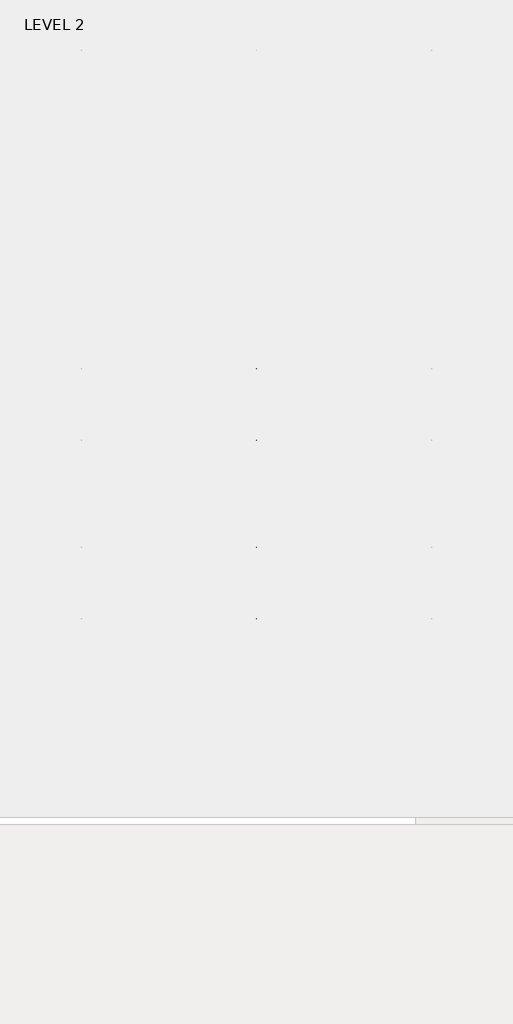
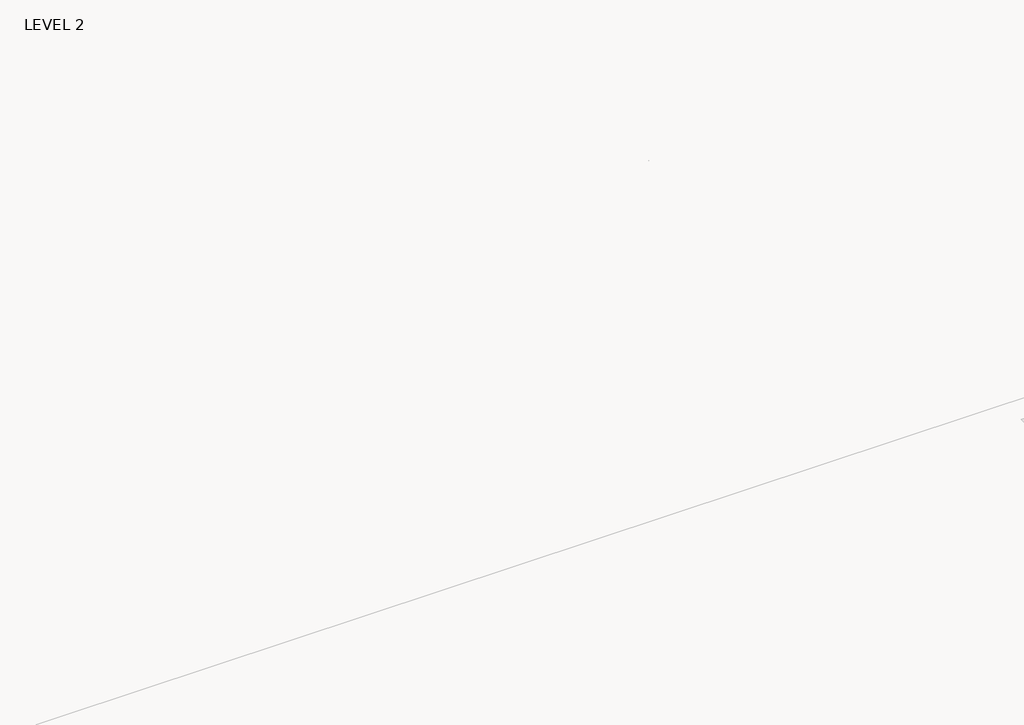
# One storey, part 42 of 67: 1 beam.
"""IFC4 building model written with IfcOpenShell, lengths in millimetres."""

from ifc_helpers import new_model, si_unit, frame, origin, place, context, project, spatial, polyline, outline, extrude, faceted_brep, element, save

model = new_model("IFC4")

# Units and contexts
model_context = context("Model", 3, world=origin())
ifc_project = project(units=[si_unit("LENGTHUNIT", "METRE", prefix="MILLI")], contexts=[model_context])

# Site, building, storey
site = spatial("IfcSite", under=ifc_project)
building = spatial("IfcBuilding", under=site)
storey = spatial("IfcBuildingStorey", under=building, Name="LEVEL 2", Elevation=6908.8)

# Beam
placement = place(None, origin())
element("IfcBeam", 1, ObjectType="K-Series Bar Joist-Angle Web : 12K3", at=placement, inside=storey, context=model_context, shape_type="SolidModel", body=[
    extrude(outline(polyline([(0.0, -9.525), (0.0, 0.0), (573.7533355, 0.0), (573.7533355, -9.525), (0.0, -9.525)])), frame((45684.0116542, -9604.1227945, 6274.1671734), z_axis=(0.0, -0.48308851527800273, 0.8755715198694479), x_axis=(0.0, -0.8755715198694479, -0.48308851527800273)), (0.0, 0.0, 1.0), 9.525),
    extrude(outline(polyline([(0.0, -9.525), (0.0, 0.0), (573.7533355, 0.0), (573.7533355, -9.525), (0.0, -9.525)])), frame((45674.4866542, -14433.5123055, 6174.0312759), z_axis=(0.0, 0.44637950228858414, 0.894843751688861), x_axis=(0.0, 0.894843751688861, -0.44637950228858414)), (0.0, 0.0, 1.0), 9.525),
    extrude(outline(polyline([(4.7625, 4.7625), (4.7625, -4.7625), (-4.7625, -4.7625), (-4.7625, 4.7625), (4.7625, 4.7625)])), frame((45679.2491542, -10108.7855836, 6001.1634358), z_axis=(0.0, 0.5271021201119526, 0.8498019504410923), x_axis=(-1.0, 0.0, 0.0)), (0.0, 0.0, 1.0), 317.9950191),
    extrude(outline(polyline([(4.7625, 4.7625), (4.7625, -4.7625001), (-4.7625, -4.7625001), (-4.7625, 4.7625), (4.7625, 4.7625)])), frame((45679.2491542, -13917.9668359, 5922.1812409), z_axis=(0.0, -0.5618747002661082, 0.8272223529383567), x_axis=(-1.0, 0.0, 0.0)), (0.0, 0.0, 1.0), 317.9950191),
    extrude(outline(polyline([(0.0, 0.0), (31.75, 0.0), (31.75, -6.35), (6.35, -6.35), (6.35, -31.75), (0.0, -31.75), (0.0, 0.0)])), frame((45684.0116542, -14019.4133656, 5913.7264136), z_axis=(0.0, 0.9997851055909517, 0.020730234887470715), x_axis=(1.0, 0.0, 0.0)), (0.0, 0.0, 1.0), 4013.2),
    extrude(outline(polyline([(-9.525, 0.0), (-9.525, -31.75), (-15.875, -31.75), (-15.875, -6.35), (-41.275, -6.35), (-41.275, 0.0), (-9.525, 0.0)])), frame((45684.0116542, -14019.4133656, 5913.7264136), z_axis=(0.0, 0.9997851055909517, 0.020730234887470715), x_axis=(1.0, 0.0, 0.0)), (0.0, 0.0, 1.0), 4013.2),
    extrude(outline(polyline([(-31.75, 0.0), (0.0, 0.0), (0.0, -6.35), (-25.4, -6.35), (-25.4, -31.75), (-31.75, -31.75), (-31.75, 0.0)])), frame((45715.7616542, -14532.3064049, 6144.4436003), z_axis=(0.0, 0.9997851055909517, 0.020730234887470715), x_axis=(1.0, 0.0, 0.0)), (0.0, 0.0, 1.0), 101.6),
    extrude(outline(polyline([(-41.275, 0.0), (-41.275, -31.75), (-47.625, -31.75), (-47.625, -6.35), (-73.025, -6.35), (-73.025, 0.0), (-41.275, 0.0)])), frame((45715.7616542, -14532.3064049, 6144.4436003), z_axis=(0.0, 0.9997851055909517, 0.020730234887470715), x_axis=(1.0, 0.0, 0.0)), (0.0, 0.0, 1.0), 101.6),
    extrude(outline(polyline([(0.0, 0.0), (31.75, 0.0), (31.75, -6.35), (6.35, -6.35), (6.35, -31.75), (0.0, -31.75), (0.0, 0.0)])), frame((45674.4866542, -9605.7653186, 6246.5939057), z_axis=(0.0, 0.9997851055909517, 0.020730234887470715), x_axis=(0.0, -0.020730234887470715, 0.9997851055909517)), (0.0, 0.0, 1.0), 101.6),
    extrude(outline(polyline([(0.0, 41.275), (6.35, 41.275), (6.35, 15.875), (31.75, 15.875), (31.75, 9.525), (0.0, 9.525), (0.0, 41.275)])), frame((45674.4866542, -9605.7653186, 6246.5939057), z_axis=(0.0, 0.9997851055909517, 0.020730234887470715), x_axis=(0.0, -0.020730234887470715, 0.9997851055909517)), (0.0, 0.0, 1.0), 101.6),
    extrude(outline(polyline([(0.0, 0.0), (31.75, 0.0), (31.75, -6.35), (6.35, -6.35), (6.35, -31.75), (0.0, -31.75), (0.0, 0.0)])), frame((45684.0116542, -14533.6227748, 6207.9299545), z_axis=(0.0, 0.9997851055909517, 0.020730234887470715), x_axis=(0.0, 0.020730234887470715, -0.9997851055909517)), (0.0, 0.0, 1.0), 5029.2),
    extrude(outline(polyline([(0.0, 9.525), (0.0, 41.275), (6.35, 41.275), (6.35, 15.875), (31.75, 15.875), (31.75, 9.525), (0.0, 9.525)])), frame((45684.0116542, -14533.6227748, 6207.9299545), z_axis=(0.0, 0.9997851055909517, 0.020730234887470715), x_axis=(0.0, 0.020730234887470715, -0.9997851055909517)), (0.0, 0.0, 1.0), 5029.2),
    faceted_brep([(45679.2491542, -10109.114676, 6017.0350244), (45679.2491542, -10108.7197651, 5997.9891181), (45674.4866542, -10108.7197651, 5997.9891181), (45674.4866542, -10109.114676, 6017.0350244), (45679.2491542, -10109.9510625, 6017.0176822), (45679.2491542, -10276.1904217, 6293.0308149), (45679.2491542, -10294.3999415, 6292.6532461), (45679.2491542, -10294.0050305, 6273.6073399), (45679.2491542, -10286.8200086, 6273.7563191), (45679.2491542, -10120.5806494, 5997.7431863), (45674.4866542, -10120.5806494, 5997.7431863), (45674.4866542, -10141.3605693, 6032.2448279), (45674.4866542, -10137.2808829, 6034.7019736), (45674.4866542, -10273.294904, 6260.5309003), (45674.4866542, -10277.3745905, 6258.0737547), (45674.4866542, -10286.8200086, 6273.7563191), (45674.4866542, -10294.0050305, 6273.6073399), (45674.4866542, -10294.3999415, 6292.6532461), (45674.4866542, -10276.1904217, 6293.0308149), (45674.4866542, -10109.9510625, 6017.0176822), (45661.7866542, -10277.3745905, 6258.0737547), (45661.7866542, -10141.3605693, 6032.2448279), (45661.7866542, -10137.2808829, 6034.7019736), (45661.7866542, -10273.294904, 6260.5309003)], [[[0, 1, 2, 3]], [[1, 0, 4, 5, 6, 7, 8, 9]], [[2, 1, 9, 10]], [[3, 2, 10, 11, 12, 13, 14, 15, 16, 17, 18, 19]], [[0, 3, 19, 4]], [[9, 8, 15, 14, 20, 21, 11, 10]], [[5, 4, 19, 18]], [[7, 6, 17, 16]], [[8, 7, 16, 15]], [[6, 5, 18, 17]], [[21, 22, 12, 11]], [[20, 14, 13, 23]], [[22, 21, 20, 23]], [[12, 22, 23, 13]]]),
    extrude(outline(polyline([(-10455.0089698, 5990.8089186), (-10455.4038808, 6009.8548248), (-10454.5674943, 6009.872167), (-10299.9121904, 6292.5389513), (-10281.7026706, 6292.9165201), (-10281.3077596, 6273.8706138), (-10288.4927815, 6273.7216346), (-10443.1480854, 5991.0548503), (-10455.0089698, 5990.8089186)])), frame((45679.2491542, 0.0, 0.0), z_axis=(1.0, 0.0, 0.0), x_axis=(0.0, 1.0, 0.0)), (0.0, 0.0, 1.0), 4.7625),
    extrude(outline(polyline([(-4.7625, 4.7625), (-4.7625, 0.0), (-17.4625, 0.0), (-17.4625, 4.7625), (-4.7625, 4.7625)])), frame((45679.2491542, -10423.8161725, 6026.3881984), z_axis=(0.0, 0.4799841217599757, 0.8772771756168657), x_axis=(-1.0, 0.0, 0.0)), (0.0, 0.0, 1.0), 263.6257159),
    faceted_brep([(45679.2491542, -13572.0067236, 5945.233029), (45679.2491542, -13571.6118126, 5926.1871227), (45674.4866542, -13571.6118126, 5926.1871227), (45674.4866542, -13572.0067236, 5945.233029), (45679.2491542, -13572.8431101, 5945.2156868), (45679.2491542, -13739.0824692, 6221.2288195), (45679.2491542, -13757.291989, 6220.8512507), (45679.2491542, -13756.897078, 6201.8053445), (45679.2491542, -13749.7120561, 6201.9543237), (45679.2491542, -13583.472697, 5925.941191), (45674.4866542, -13583.472697, 5925.941191), (45674.4866542, -13604.2526169, 5960.4428325), (45674.4866542, -13600.1729304, 5962.8999782), (45674.4866542, -13736.1869515, 6188.7289049), (45674.4866542, -13740.266638, 6186.2717593), (45674.4866542, -13749.7120561, 6201.9543237), (45674.4866542, -13756.897078, 6201.8053445), (45674.4866542, -13757.291989, 6220.8512507), (45674.4866542, -13739.0824692, 6221.2288195), (45674.4866542, -13572.8431101, 5945.2156868), (45661.7866542, -13740.266638, 6186.2717593), (45661.7866542, -13604.2526169, 5960.4428325), (45661.7866542, -13600.1729304, 5962.8999782), (45661.7866542, -13736.1869515, 6188.7289049)], [[[0, 1, 2, 3]], [[1, 0, 4, 5, 6, 7, 8, 9]], [[2, 1, 9, 10]], [[3, 2, 10, 11, 12, 13, 14, 15, 16, 17, 18, 19]], [[0, 3, 19, 4]], [[9, 8, 15, 14, 20, 21, 11, 10]], [[5, 4, 19, 18]], [[7, 6, 17, 16]], [[8, 7, 16, 15]], [[6, 5, 18, 17]], [[21, 22, 12, 11]], [[20, 14, 13, 23]], [[22, 21, 20, 23]], [[12, 22, 23, 13]]]),
    extrude(outline(polyline([(-13917.9010174, 5919.0069232), (-13918.2959283, 5938.0528295), (-13917.4595419, 5938.0701717), (-13762.804238, 6220.736956), (-13744.5947182, 6221.1145247), (-13744.1998072, 6202.0686185), (-13751.3848291, 6201.9196392), (-13906.040133, 5919.252855), (-13917.9010174, 5919.0069232)])), frame((45679.2491542, 0.0, 0.0), z_axis=(1.0, 0.0, 0.0), x_axis=(0.0, 1.0, 0.0)), (0.0, 0.0, 1.0), 4.7625),
    extrude(outline(polyline([(-4.7625, 4.7625001), (-4.7625, 0.0), (-17.4625, 0.0), (-17.4625, 4.7625001), (-4.7625, 4.7625001)])), frame((45679.2491542, -13886.70822, 5954.586203), z_axis=(0.0, 0.4799841217599757, 0.8772771756168657), x_axis=(-1.0, 0.0, 0.0)), (0.0, 0.0, 1.0), 263.6257159),
    faceted_brep([(45679.2491542, -10455.4038808, 6009.8548248), (45679.2491542, -10455.0089698, 5990.8089186), (45674.4866542, -10455.0089698, 5990.8089186), (45674.4866542, -10455.4038808, 6009.8548248), (45679.2491542, -10456.2402673, 6009.8374826), (45679.2491542, -10622.4796264, 6285.8506153), (45679.2491542, -10640.6891462, 6285.4730466), (45679.2491542, -10640.2942352, 6266.4271403), (45679.2491542, -10633.1092134, 6266.5761195), (45679.2491542, -10466.8698542, 5990.5629868), (45674.4866542, -10466.8698542, 5990.5629868), (45674.4866542, -10487.6497741, 6025.0646284), (45674.4866542, -10483.5700876, 6027.521774), (45674.4866542, -10619.5841088, 6253.3507008), (45674.4866542, -10623.6637952, 6250.8935552), (45674.4866542, -10633.1092134, 6266.5761195), (45674.4866542, -10640.2942352, 6266.4271403), (45674.4866542, -10640.6891462, 6285.4730466), (45674.4866542, -10622.4796264, 6285.8506153), (45674.4866542, -10456.2402673, 6009.8374826), (45661.7866542, -10623.6637952, 6250.8935552), (45661.7866542, -10487.6497741, 6025.0646284), (45661.7866542, -10483.5700876, 6027.521774), (45661.7866542, -10619.5841088, 6253.3507008)], [[[0, 1, 2, 3]], [[1, 0, 4, 5, 6, 7, 8, 9]], [[2, 1, 9, 10]], [[3, 2, 10, 11, 12, 13, 14, 15, 16, 17, 18, 19]], [[0, 3, 19, 4]], [[9, 8, 15, 14, 20, 21, 11, 10]], [[5, 4, 19, 18]], [[7, 6, 17, 16]], [[8, 7, 16, 15]], [[6, 5, 18, 17]], [[21, 22, 12, 11]], [[20, 14, 13, 23]], [[22, 21, 20, 23]], [[12, 22, 23, 13]]]),
    extrude(outline(polyline([(-10801.2981746, 5983.628719), (-10801.6930855, 6002.6746253), (-10800.8566991, 6002.6919675), (-10646.2013952, 6285.3587518), (-10627.9918754, 6285.7363206), (-10627.5969644, 6266.6904143), (-10634.7819863, 6266.5414351), (-10789.4372902, 5983.8746508), (-10801.2981746, 5983.628719)])), frame((45679.2491542, 0.0, 0.0), z_axis=(1.0, 0.0, 0.0), x_axis=(0.0, 1.0, 0.0)), (0.0, 0.0, 1.0), 4.7625),
    extrude(outline(polyline([(-4.7625, 4.7625001), (-4.7625, 0.0), (-17.4625, 0.0), (-17.4625, 4.7625001), (-4.7625, 4.7625001)])), frame((45679.2491542, -10770.1053772, 6019.2079988), z_axis=(0.0, 0.4799841217599757, 0.8772771756168657), x_axis=(-1.0, 0.0, 0.0)), (0.0, 0.0, 1.0), 263.6257159),
    faceted_brep([(45679.2491542, -10801.6930855, 6002.6746253), (45679.2491542, -10801.2981746, 5983.628719), (45674.4866542, -10801.2981746, 5983.628719), (45674.4866542, -10801.6930855, 6002.6746253), (45679.2491542, -10802.529472, 6002.6572831), (45679.2491542, -10968.7688312, 6278.6704158), (45679.2491542, -10986.978351, 6278.292847), (45679.2491542, -10986.58344, 6259.2469408), (45679.2491542, -10979.3984181, 6259.39592), (45679.2491542, -10813.1590589, 5983.3827873), (45674.4866542, -10813.1590589, 5983.3827873), (45674.4866542, -10833.9389788, 6017.8844289), (45674.4866542, -10829.8592924, 6020.3415745), (45674.4866542, -10965.8733135, 6246.1705013), (45674.4866542, -10969.953, 6243.7133556), (45674.4866542, -10979.3984181, 6259.39592), (45674.4866542, -10986.58344, 6259.2469408), (45674.4866542, -10986.978351, 6278.292847), (45674.4866542, -10968.7688312, 6278.6704158), (45674.4866542, -10802.529472, 6002.6572831), (45661.7866542, -10969.953, 6243.7133556), (45661.7866542, -10833.9389788, 6017.8844289), (45661.7866542, -10829.8592924, 6020.3415745), (45661.7866542, -10965.8733135, 6246.1705013)], [[[0, 1, 2, 3]], [[1, 0, 4, 5, 6, 7, 8, 9]], [[2, 1, 9, 10]], [[3, 2, 10, 11, 12, 13, 14, 15, 16, 17, 18, 19]], [[0, 3, 19, 4]], [[9, 8, 15, 14, 20, 21, 11, 10]], [[5, 4, 19, 18]], [[7, 6, 17, 16]], [[8, 7, 16, 15]], [[6, 5, 18, 17]], [[21, 22, 12, 11]], [[20, 14, 13, 23]], [[22, 21, 20, 23]], [[12, 22, 23, 13]]]),
    extrude(outline(polyline([(-11147.5873793, 5976.4485195), (-11147.9822903, 5995.4944258), (-11147.1459038, 5995.511768), (-10992.4905999, 6278.1785523), (-10974.2810801, 6278.556121), (-10973.8861692, 6259.5102148), (-10981.071191, 6259.3612356), (-11135.726495, 5976.6944513), (-11147.5873793, 5976.4485195)])), frame((45679.2491542, 0.0, 0.0), z_axis=(1.0, 0.0, 0.0), x_axis=(0.0, 1.0, 0.0)), (0.0, 0.0, 1.0), 4.7625),
    extrude(outline(polyline([(-4.7625, 4.7625), (-4.7625, 0.0), (-17.4625, 0.0), (-17.4625, 4.7625), (-4.7625, 4.7625)])), frame((45679.2491542, -11116.394582, 6012.0277993), z_axis=(0.0, 0.4799841217599757, 0.8772771756168657), x_axis=(-1.0, 0.0, 0.0)), (0.0, 0.0, 1.0), 263.6257159),
    faceted_brep([(45679.2491542, -11147.9822903, 5995.4944258), (45679.2491542, -11147.5873793, 5976.4485195), (45674.4866542, -11147.5873793, 5976.4485195), (45674.4866542, -11147.9822903, 5995.4944258), (45679.2491542, -11148.8186768, 5995.4770835), (45679.2491542, -11315.0580359, 6271.4902163), (45679.2491542, -11333.2675557, 6271.1126475), (45679.2491542, -11332.8726447, 6252.0667412), (45679.2491542, -11325.6876229, 6252.2157204), (45679.2491542, -11159.4482637, 5976.2025877), (45674.4866542, -11159.4482637, 5976.2025877), (45674.4866542, -11180.2281836, 6010.7042293), (45674.4866542, -11176.1484971, 6013.1613749), (45674.4866542, -11312.1625183, 6238.9903017), (45674.4866542, -11316.2422047, 6236.5331561), (45674.4866542, -11325.6876229, 6252.2157204), (45674.4866542, -11332.8726447, 6252.0667412), (45674.4866542, -11333.2675557, 6271.1126475), (45674.4866542, -11315.0580359, 6271.4902163), (45674.4866542, -11148.8186768, 5995.4770835), (45661.7866542, -11316.2422047, 6236.5331561), (45661.7866542, -11180.2281836, 6010.7042293), (45661.7866542, -11176.1484971, 6013.1613749), (45661.7866542, -11312.1625183, 6238.9903017)], [[[0, 1, 2, 3]], [[1, 0, 4, 5, 6, 7, 8, 9]], [[2, 1, 9, 10]], [[3, 2, 10, 11, 12, 13, 14, 15, 16, 17, 18, 19]], [[0, 3, 19, 4]], [[9, 8, 15, 14, 20, 21, 11, 10]], [[5, 4, 19, 18]], [[7, 6, 17, 16]], [[8, 7, 16, 15]], [[6, 5, 18, 17]], [[21, 22, 12, 11]], [[20, 14, 13, 23]], [[22, 21, 20, 23]], [[12, 22, 23, 13]]]),
    extrude(outline(polyline([(-11493.8765841, 5969.26832), (-11494.2714951, 5988.3142262), (-11493.4351086, 5988.3315684), (-11338.7798047, 6270.9983527), (-11320.5702849, 6271.3759215), (-11320.1753739, 6252.3300152), (-11327.3603958, 6252.181036), (-11482.0156997, 5969.5142517), (-11493.8765841, 5969.26832)])), frame((45679.2491542, 0.0, 0.0), z_axis=(1.0, 0.0, 0.0), x_axis=(0.0, 1.0, 0.0)), (0.0, 0.0, 1.0), 4.7625),
    extrude(outline(polyline([(-4.7625, 4.7625), (-4.7625, 0.0), (-17.4625, 0.0), (-17.4625, 4.7625), (-4.7625, 4.7625)])), frame((45679.2491542, -11462.6837867, 6004.8475998), z_axis=(0.0, 0.4799841217599757, 0.8772771756168657), x_axis=(-1.0, 0.0, 0.0)), (0.0, 0.0, 1.0), 263.6257159),
    faceted_brep([(45679.2491542, -11494.2714951, 5988.3142262), (45679.2491542, -11493.8765841, 5969.26832), (45674.4866542, -11493.8765841, 5969.26832), (45674.4866542, -11494.2714951, 5988.3142262), (45679.2491542, -11495.1078815, 5988.296884), (45679.2491542, -11661.3472407, 6264.3100167), (45679.2491542, -11679.5567605, 6263.932448), (45679.2491542, -11679.1618495, 6244.8865417), (45679.2491542, -11671.9768276, 6245.0355209), (45679.2491542, -11505.7374685, 5969.0223882), (45674.4866542, -11505.7374685, 5969.0223882), (45674.4866542, -11526.5173883, 6003.5240298), (45674.4866542, -11522.4377019, 6005.9811754), (45674.4866542, -11658.451723, 6231.8101022), (45674.4866542, -11662.5314095, 6229.3529565), (45674.4866542, -11671.9768276, 6245.0355209), (45674.4866542, -11679.1618495, 6244.8865417), (45674.4866542, -11679.5567605, 6263.932448), (45674.4866542, -11661.3472407, 6264.3100167), (45674.4866542, -11495.1078815, 5988.296884), (45661.7866542, -11662.5314095, 6229.3529565), (45661.7866542, -11526.5173883, 6003.5240298), (45661.7866542, -11522.4377019, 6005.9811754), (45661.7866542, -11658.451723, 6231.8101022)], [[[0, 1, 2, 3]], [[1, 0, 4, 5, 6, 7, 8, 9]], [[2, 1, 9, 10]], [[3, 2, 10, 11, 12, 13, 14, 15, 16, 17, 18, 19]], [[0, 3, 19, 4]], [[9, 8, 15, 14, 20, 21, 11, 10]], [[5, 4, 19, 18]], [[7, 6, 17, 16]], [[8, 7, 16, 15]], [[6, 5, 18, 17]], [[21, 22, 12, 11]], [[20, 14, 13, 23]], [[22, 21, 20, 23]], [[12, 22, 23, 13]]]),
    extrude(outline(polyline([(-11840.1657888, 5962.0881204), (-11840.5606998, 5981.1340267), (-11839.7243133, 5981.1513689), (-11685.0690094, 6263.8181532), (-11666.8594896, 6264.1957219), (-11666.4645787, 6245.1498157), (-11673.6496006, 6245.0008365), (-11828.3049045, 5962.3340522), (-11840.1657888, 5962.0881204)])), frame((45679.2491542, 0.0, 0.0), z_axis=(1.0, 0.0, 0.0), x_axis=(0.0, 1.0, 0.0)), (0.0, 0.0, 1.0), 4.7625),
    extrude(outline(polyline([(-4.7625, 4.7625), (-4.7625, 0.0), (-17.4625, 0.0), (-17.4625, 4.7625), (-4.7625, 4.7625)])), frame((45679.2491542, -11808.9729915, 5997.6674002), z_axis=(0.0, 0.4799841217599757, 0.8772771756168657), x_axis=(-1.0, 0.0, 0.0)), (0.0, 0.0, 1.0), 263.6257159),
    faceted_brep([(45679.2491542, -11840.5606998, 5981.1340267), (45679.2491542, -11840.1657888, 5962.0881204), (45674.4866542, -11840.1657888, 5962.0881204), (45674.4866542, -11840.5606998, 5981.1340267), (45679.2491542, -11841.3970863, 5981.1166845), (45679.2491542, -12007.6364454, 6257.1298172), (45679.2491542, -12025.8459652, 6256.7522484), (45679.2491542, -12025.4510543, 6237.7063422), (45679.2491542, -12018.2660324, 6237.8553214), (45679.2491542, -11852.0266732, 5961.8421887), (45674.4866542, -11852.0266732, 5961.8421887), (45674.4866542, -11872.8065931, 5996.3438302), (45674.4866542, -11868.7269066, 5998.8009759), (45674.4866542, -12004.7409278, 6224.6299026), (45674.4866542, -12008.8206142, 6222.172757), (45674.4866542, -12018.2660324, 6237.8553214), (45674.4866542, -12025.4510543, 6237.7063422), (45674.4866542, -12025.8459652, 6256.7522484), (45674.4866542, -12007.6364454, 6257.1298172), (45674.4866542, -11841.3970863, 5981.1166845), (45661.7866542, -12008.8206142, 6222.172757), (45661.7866542, -11872.8065931, 5996.3438302), (45661.7866542, -11868.7269066, 5998.8009759), (45661.7866542, -12004.7409278, 6224.6299026)], [[[0, 1, 2, 3]], [[1, 0, 4, 5, 6, 7, 8, 9]], [[2, 1, 9, 10]], [[3, 2, 10, 11, 12, 13, 14, 15, 16, 17, 18, 19]], [[0, 3, 19, 4]], [[9, 8, 15, 14, 20, 21, 11, 10]], [[5, 4, 19, 18]], [[7, 6, 17, 16]], [[8, 7, 16, 15]], [[6, 5, 18, 17]], [[21, 22, 12, 11]], [[20, 14, 13, 23]], [[22, 21, 20, 23]], [[12, 22, 23, 13]]]),
    extrude(outline(polyline([(-12186.4549936, 5954.9079209), (-12186.8499046, 5973.9538271), (-12186.0135181, 5973.9711694), (-12031.3582142, 6256.6379536), (-12013.1486944, 6257.0155224), (-12012.7537834, 6237.9696161), (-12019.9388053, 6237.8206369), (-12174.5941092, 5955.1538527), (-12186.4549936, 5954.9079209)])), frame((45679.2491542, 0.0, 0.0), z_axis=(1.0, 0.0, 0.0), x_axis=(0.0, 1.0, 0.0)), (0.0, 0.0, 1.0), 4.7625),
    extrude(outline(polyline([(-4.7625, 4.7625001), (-4.7625, 0.0), (-17.4625, 0.0), (-17.4625, 4.7625001), (-4.7625, 4.7625001)])), frame((45679.2491542, -12155.2621962, 5990.4872007), z_axis=(0.0, 0.4799841217599757, 0.8772771756168657), x_axis=(-1.0, 0.0, 0.0)), (0.0, 0.0, 1.0), 263.6257159),
    faceted_brep([(45679.2491542, -12186.8499046, 5973.9538271), (45679.2491542, -12186.4549936, 5954.9079209), (45674.4866542, -12186.4549936, 5954.9079209), (45674.4866542, -12186.8499046, 5973.9538271), (45679.2491542, -12187.686291, 5973.9364849), (45679.2491542, -12353.9256502, 6249.9496176), (45679.2491542, -12372.13517, 6249.5720489), (45679.2491542, -12371.740259, 6230.5261426), (45679.2491542, -12364.5552371, 6230.6751218), (45679.2491542, -12198.315878, 5954.6619891), (45674.4866542, -12198.315878, 5954.6619891), (45674.4866542, -12219.0957979, 5989.1636307), (45674.4866542, -12215.0161114, 5991.6207763), (45674.4866542, -12351.0301325, 6217.4497031), (45674.4866542, -12355.109819, 6214.9925575), (45674.4866542, -12364.5552371, 6230.6751218), (45674.4866542, -12371.740259, 6230.5261426), (45674.4866542, -12372.13517, 6249.5720489), (45674.4866542, -12353.9256502, 6249.9496176), (45674.4866542, -12187.686291, 5973.9364849), (45661.7866542, -12355.109819, 6214.9925575), (45661.7866542, -12219.0957979, 5989.1636307), (45661.7866542, -12215.0161114, 5991.6207763), (45661.7866542, -12351.0301325, 6217.4497031)], [[[0, 1, 2, 3]], [[1, 0, 4, 5, 6, 7, 8, 9]], [[2, 1, 9, 10]], [[3, 2, 10, 11, 12, 13, 14, 15, 16, 17, 18, 19]], [[0, 3, 19, 4]], [[9, 8, 15, 14, 20, 21, 11, 10]], [[5, 4, 19, 18]], [[7, 6, 17, 16]], [[8, 7, 16, 15]], [[6, 5, 18, 17]], [[21, 22, 12, 11]], [[20, 14, 13, 23]], [[22, 21, 20, 23]], [[12, 22, 23, 13]]]),
    extrude(outline(polyline([(-12532.7441983, 5947.7277213), (-12533.1391093, 5966.7736276), (-12532.3027228, 5966.7909698), (-12377.6474189, 6249.4577541), (-12359.4378991, 6249.8353229), (-12359.0429882, 6230.7894166), (-12366.2280101, 6230.6404374), (-12520.883314, 5947.9736531), (-12532.7441983, 5947.7277213)])), frame((45679.2491542, 0.0, 0.0), z_axis=(1.0, 0.0, 0.0), x_axis=(0.0, 1.0, 0.0)), (0.0, 0.0, 1.0), 4.7625),
    extrude(outline(polyline([(-4.7625, 4.7625), (-4.7625, 0.0), (-17.4625, 0.0), (-17.4625, 4.7625), (-4.7625, 4.7625)])), frame((45679.2491542, -12501.551401, 5983.3070011), z_axis=(0.0, 0.4799841217599757, 0.8772771756168657), x_axis=(-1.0, 0.0, 0.0)), (0.0, 0.0, 1.0), 263.6257159),
    faceted_brep([(45679.2491542, -12533.1391093, 5966.7736276), (45679.2491542, -12532.7441983, 5947.7277213), (45674.4866542, -12532.7441983, 5947.7277213), (45674.4866542, -12533.1391093, 5966.7736276), (45679.2491542, -12533.9754958, 5966.7562854), (45679.2491542, -12700.214855, 6242.7694181), (45679.2491542, -12718.4243747, 6242.3918493), (45679.2491542, -12718.0294638, 6223.3459431), (45679.2491542, -12710.8444419, 6223.4949223), (45679.2491542, -12544.6050827, 5947.4817896), (45674.4866542, -12544.6050827, 5947.4817896), (45674.4866542, -12565.3850026, 5981.9834312), (45674.4866542, -12561.3053162, 5984.4405768), (45674.4866542, -12697.3193373, 6210.2695036), (45674.4866542, -12701.3990237, 6207.8123579), (45674.4866542, -12710.8444419, 6223.4949223), (45674.4866542, -12718.0294638, 6223.3459431), (45674.4866542, -12718.4243747, 6242.3918493), (45674.4866542, -12700.214855, 6242.7694181), (45674.4866542, -12533.9754958, 5966.7562854), (45661.7866542, -12701.3990237, 6207.8123579), (45661.7866542, -12565.3850026, 5981.9834312), (45661.7866542, -12561.3053162, 5984.4405768), (45661.7866542, -12697.3193373, 6210.2695036)], [[[0, 1, 2, 3]], [[1, 0, 4, 5, 6, 7, 8, 9]], [[2, 1, 9, 10]], [[3, 2, 10, 11, 12, 13, 14, 15, 16, 17, 18, 19]], [[0, 3, 19, 4]], [[9, 8, 15, 14, 20, 21, 11, 10]], [[5, 4, 19, 18]], [[7, 6, 17, 16]], [[8, 7, 16, 15]], [[6, 5, 18, 17]], [[21, 22, 12, 11]], [[20, 14, 13, 23]], [[22, 21, 20, 23]], [[12, 22, 23, 13]]]),
    extrude(outline(polyline([(-12879.0334031, 5940.5475218), (-12879.4283141, 5959.5934281), (-12878.5919276, 5959.6107703), (-12723.9366237, 6242.2775546), (-12705.7271039, 6242.6551233), (-12705.3321929, 6223.6092171), (-12712.5172148, 6223.4602379), (-12867.1725187, 5940.7934536), (-12879.0334031, 5940.5475218)])), frame((45679.2491542, 0.0, 0.0), z_axis=(1.0, 0.0, 0.0), x_axis=(0.0, 1.0, 0.0)), (0.0, 0.0, 1.0), 4.7625),
    extrude(outline(polyline([(-4.7625, 4.7625001), (-4.7625, 0.0), (-17.4625, 0.0), (-17.4625, 4.7625001), (-4.7625, 4.7625001)])), frame((45679.2491542, -12847.8406057, 5976.1268016), z_axis=(0.0, 0.4799841217599757, 0.8772771756168657), x_axis=(-1.0, 0.0, 0.0)), (0.0, 0.0, 1.0), 263.6257159),
    faceted_brep([(45679.2491542, -12879.4283141, 5959.5934281), (45679.2491542, -12879.0334031, 5940.5475218), (45674.4866542, -12879.0334031, 5940.5475218), (45674.4866542, -12879.4283141, 5959.5934281), (45679.2491542, -12880.2647005, 5959.5760859), (45679.2491542, -13046.5040597, 6235.5892186), (45679.2491542, -13064.7135795, 6235.2116498), (45679.2491542, -13064.3186685, 6216.1657435), (45679.2491542, -13057.1336466, 6216.3147228), (45679.2491542, -12890.8942875, 5940.30159), (45674.4866542, -12890.8942875, 5940.30159), (45674.4866542, -12911.6742074, 5974.8032316), (45674.4866542, -12907.5945209, 5977.2603773), (45674.4866542, -13043.608542, 6203.089304), (45674.4866542, -13047.6882285, 6200.6321584), (45674.4866542, -13057.1336466, 6216.3147228), (45674.4866542, -13064.3186685, 6216.1657435), (45674.4866542, -13064.7135795, 6235.2116498), (45674.4866542, -13046.5040597, 6235.5892186), (45674.4866542, -12880.2647005, 5959.5760859), (45661.7866542, -13047.6882285, 6200.6321584), (45661.7866542, -12911.6742074, 5974.8032316), (45661.7866542, -12907.5945209, 5977.2603773), (45661.7866542, -13043.608542, 6203.089304)], [[[0, 1, 2, 3]], [[1, 0, 4, 5, 6, 7, 8, 9]], [[2, 1, 9, 10]], [[3, 2, 10, 11, 12, 13, 14, 15, 16, 17, 18, 19]], [[0, 3, 19, 4]], [[9, 8, 15, 14, 20, 21, 11, 10]], [[5, 4, 19, 18]], [[7, 6, 17, 16]], [[8, 7, 16, 15]], [[6, 5, 18, 17]], [[21, 22, 12, 11]], [[20, 14, 13, 23]], [[22, 21, 20, 23]], [[12, 22, 23, 13]]]),
    extrude(outline(polyline([(-13225.3226079, 5933.3673223), (-13225.7175188, 5952.4132285), (-13224.8811324, 5952.4305707), (-13070.2258284, 6235.097355), (-13052.0163087, 6235.4749238), (-13051.6213977, 6216.4290175), (-13058.8064196, 6216.2800383), (-13213.4617235, 5933.613254), (-13225.3226079, 5933.3673223)])), frame((45679.2491542, 0.0, 0.0), z_axis=(1.0, 0.0, 0.0), x_axis=(0.0, 1.0, 0.0)), (0.0, 0.0, 1.0), 4.7625),
    extrude(outline(polyline([(-4.7625, 4.7625), (-4.7625, 0.0), (-17.4625, 0.0), (-17.4625, 4.7625), (-4.7625, 4.7625)])), frame((45679.2491542, -13194.1298105, 5968.9466021), z_axis=(0.0, 0.4799841217599757, 0.8772771756168657), x_axis=(-1.0, 0.0, 0.0)), (0.0, 0.0, 1.0), 263.6257159),
    faceted_brep([(45679.2491542, -13225.7175188, 5952.4132285), (45679.2491542, -13225.3226079, 5933.3673223), (45674.4866542, -13225.3226079, 5933.3673223), (45674.4866542, -13225.7175188, 5952.4132285), (45679.2491542, -13226.5539053, 5952.3958863), (45679.2491542, -13392.7932645, 6228.409019), (45679.2491542, -13411.0027843, 6228.0314503), (45679.2491542, -13410.6078733, 6208.985544), (45679.2491542, -13403.4228514, 6209.1345232), (45679.2491542, -13237.1834922, 5933.1213905), (45674.4866542, -13237.1834922, 5933.1213905), (45674.4866542, -13257.9634121, 5967.6230321), (45674.4866542, -13253.8837257, 5970.0801777), (45674.4866542, -13389.8977468, 6195.9091045), (45674.4866542, -13393.9774333, 6193.4519589), (45674.4866542, -13403.4228514, 6209.1345232), (45674.4866542, -13410.6078733, 6208.985544), (45674.4866542, -13411.0027843, 6228.0314503), (45674.4866542, -13392.7932645, 6228.409019), (45674.4866542, -13226.5539053, 5952.3958863), (45661.7866542, -13393.9774333, 6193.4519589), (45661.7866542, -13257.9634121, 5967.6230321), (45661.7866542, -13253.8837257, 5970.0801777), (45661.7866542, -13389.8977468, 6195.9091045)], [[[0, 1, 2, 3]], [[1, 0, 4, 5, 6, 7, 8, 9]], [[2, 1, 9, 10]], [[3, 2, 10, 11, 12, 13, 14, 15, 16, 17, 18, 19]], [[0, 3, 19, 4]], [[9, 8, 15, 14, 20, 21, 11, 10]], [[5, 4, 19, 18]], [[7, 6, 17, 16]], [[8, 7, 16, 15]], [[6, 5, 18, 17]], [[21, 22, 12, 11]], [[20, 14, 13, 23]], [[22, 21, 20, 23]], [[12, 22, 23, 13]]]),
    extrude(outline(polyline([(-13571.6118126, 5926.1871227), (-13572.0067236, 5945.233029), (-13571.1703371, 5945.2503712), (-13416.5150332, 6227.9171555), (-13398.3055134, 6228.2947243), (-13397.9106024, 6209.248818), (-13405.0956243, 6209.0998388), (-13559.7509282, 5926.4330545), (-13571.6118126, 5926.1871227)])), frame((45679.2491542, 0.0, 0.0), z_axis=(1.0, 0.0, 0.0), x_axis=(0.0, 1.0, 0.0)), (0.0, 0.0, 1.0), 4.7625),
    extrude(outline(polyline([(-4.7625, 4.7625001), (-4.7625, 0.0), (-17.4625, 0.0), (-17.4625, 4.7625001), (-4.7625, 4.7625001)])), frame((45679.2491542, -13540.4190152, 5961.7664025), z_axis=(0.0, 0.4799841217599757, 0.8772771756168657), x_axis=(-1.0, 0.0, 0.0)), (0.0, 0.0, 1.0), 263.6257159),
])

save(model, "model.ifc")
